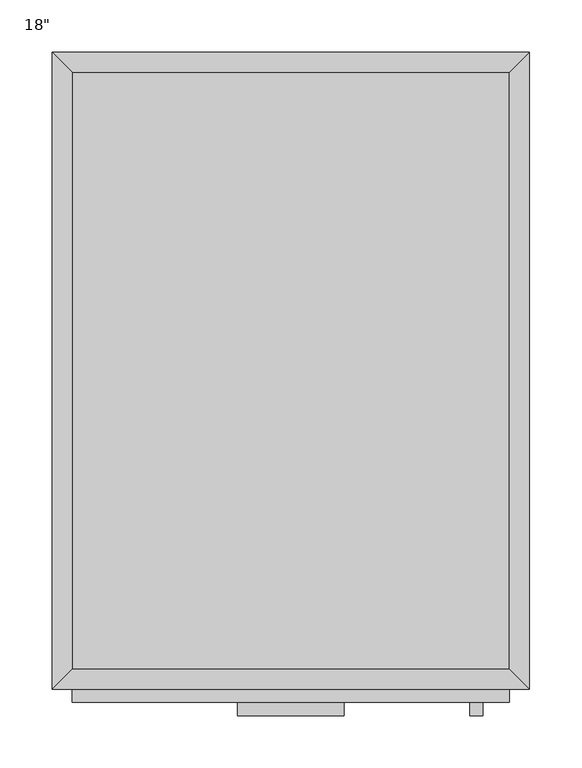
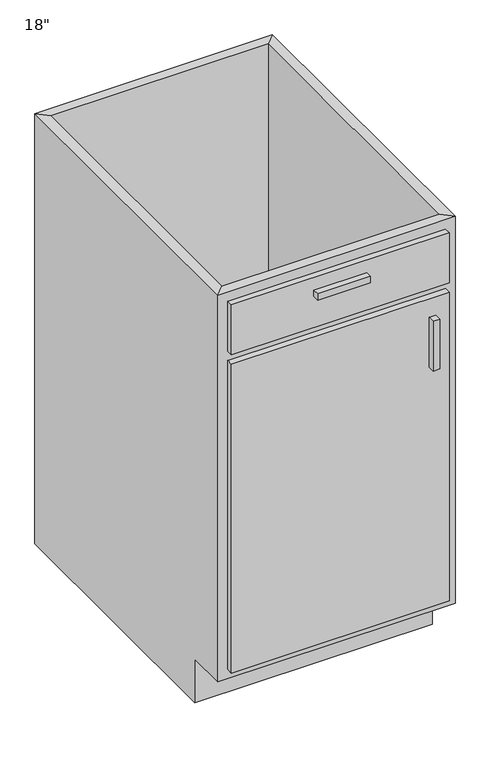
"""IFC4 building model written with IfcOpenShell, lengths in millimetres: furniture geometry."""

from ifc_helpers import new_model, si_unit, frame, origin, place, context, project, spatial, polyline, outline, extrude, faceted_brep, source, transform, mapped, element, save


def furniture_6ace90bf(model_context):
    return source(origin(), model_context, "Body", "SolidModel", [
        faceted_brep([(228.2877049, -590.55, 876.3), (228.2877049, -590.55, 88.9), (-190.8122951, -590.55, 88.9), (-190.8122951, -590.55, 876.3), (-209.8622951, -609.6, 876.3), (247.3377049, -609.6, 876.3), (-209.8622951, -609.6, 88.9), (247.3377049, -609.6, 88.9), (-190.8122951, -533.4, 88.9), (-190.8122951, -19.05, 88.9), (-190.8122951, -19.05, 876.3), (-209.8622951, 0.0, 876.3), (-209.8622951, 0.0, 0.0), (-209.8622951, -533.4, 0.0), (-209.8622951, -533.4, 88.9), (228.2877049, -19.05, 88.9), (228.2877049, -19.05, 876.3), (247.3377049, 0.0, 876.3), (247.3377049, 0.0, 0.0), (228.2877049, -533.4, 88.9), (247.3377049, -533.4, 88.9), (247.3377049, -533.4, 0.0)], [[[0, 1, 2, 3]], [[0, 3, 4, 5]], [[5, 4, 6, 7]], [[2, 1, 7, 6]], [[3, 2, 8, 9, 10]], [[4, 3, 10, 11]], [[6, 4, 11, 12, 13, 14]], [[2, 6, 14, 8]], [[10, 9, 15, 16]], [[11, 10, 16, 17]], [[12, 11, 17, 18]], [[1, 0, 16, 15, 19]], [[0, 5, 17, 16]], [[5, 7, 20, 21, 18, 17]], [[7, 1, 19, 20]], [[8, 19, 15, 9]], [[18, 21, 13, 12]], [[13, 21, 20, 19, 8, 14]]]),
        extrude(outline(polyline([(202.8877049, -635.0), (190.1877049, -635.0), (190.1877049, -622.3), (202.8877049, -622.3), (202.8877049, -635.0)])), frame((0.0, 0.0, 596.9), z_axis=(0.0, 0.0, 1.0), x_axis=(1.0, 0.0, 0.0)), (0.0, 0.0, 1.0), 101.6),
        extrude(outline(polyline([(69.5377049, -635.0), (-32.0622951, -635.0), (-32.0622951, -622.3), (69.5377049, -622.3), (69.5377049, -635.0)])), frame((0.0, 0.0, 819.15), z_axis=(0.0, 0.0, 1.0), x_axis=(1.0, 0.0, 0.0)), (0.0, 0.0, 1.0), 12.7),
        extrude(outline(polyline([(228.2877049, -622.3), (-190.8122951, -622.3), (-190.8122951, -609.6), (228.2877049, -609.6), (228.2877049, -622.3)])), frame((0.0, 0.0, 107.95), z_axis=(0.0, 0.0, 1.0), x_axis=(1.0, 0.0, 0.0)), (0.0, 0.0, 1.0), 628.65),
        extrude(outline(polyline([(228.2877049, -622.3), (-190.8122951, -622.3), (-190.8122951, -609.6), (228.2877049, -609.6), (228.2877049, -622.3)])), frame((0.0, 0.0, 755.65), z_axis=(0.0, 0.0, 1.0), x_axis=(1.0, 0.0, 0.0)), (0.0, 0.0, 1.0), 101.6),
        extrude(outline(polyline([(228.2877049, -19.05), (228.2877049, -590.55), (-190.8122951, -590.55), (-190.8122951, -19.05), (228.2877049, -19.05)])), frame((0.0, 0.0, 88.9), z_axis=(0.0, 0.0, 1.0), x_axis=(1.0, 0.0, 0.0)), (0.0, 0.0, 1.0), 19.05),
    ])


if __name__ == "__main__":
    model = new_model("IFC4")
    model_context = context("Model", 3, world=origin())
    ifc_project = project(units=[si_unit("LENGTHUNIT", "METRE", prefix="MILLI")], contexts=[model_context])
    site = spatial("IfcSite", under=ifc_project)
    building = spatial("IfcBuilding", under=site)
    placement = place(None, origin())
    furniture_shape = furniture_6ace90bf(model_context)
    element("IfcFurniture", 1, ObjectType="18\"", at=placement, inside=building, context=model_context, shape_type="MappedRepresentation", body=[
        mapped(furniture_shape, transform((0.0, 0.0, 0.0), x_axis=(1.0, 0.0, 0.0), y_axis=(0.0, 1.0, 0.0), z_axis=(0.0, 0.0, 1.0))),
    ])
    save(model, "model.ifc")
